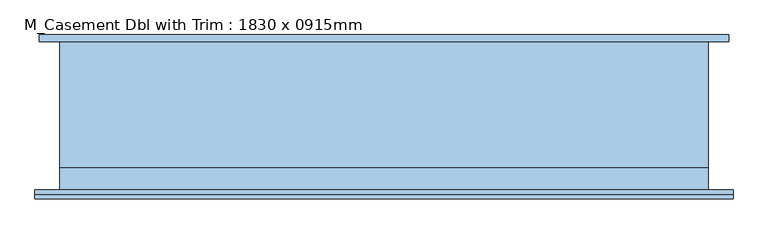
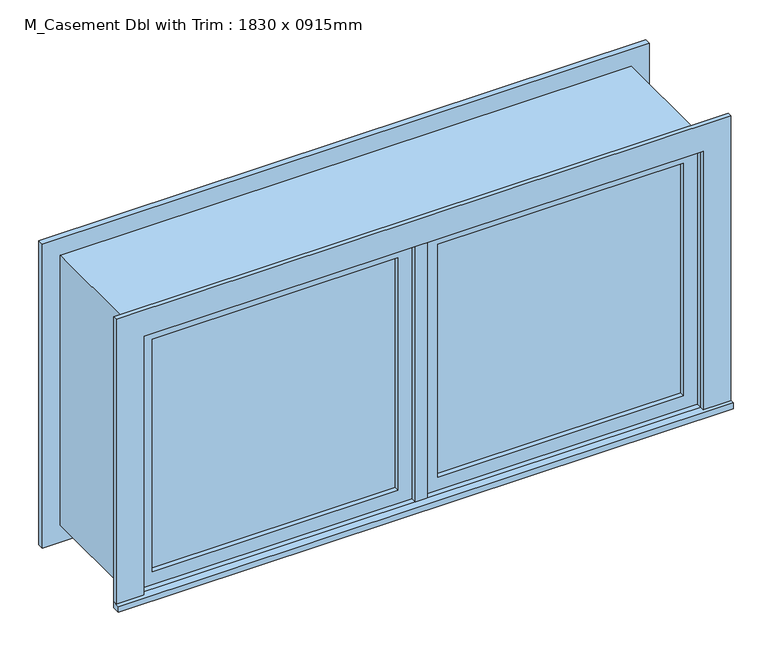
"""IFC4 building model written with IfcOpenShell, lengths in millimetres: window geometry, M_Casement Dbl with Trim : 1830 x 0915mm."""

from ifc_helpers import new_model, si_unit, frame, origin, place, context, project, spatial, polyline, outline, extrude, source, transform, mapped, element, save


def m_casement_dbl_with_trim_1830_x_0915mm_7687e109(model_context):
    return source(origin(), model_context, "Body", "SweptSolid", [
        extrude(outline(polyline([(63.5, -193.675), (63.5, -180.975), (851.5, -180.975), (851.5, -193.675), (63.5, -193.675)])), frame((0.0, 0.0, 1283.5), z_axis=(0.0, 0.0, 1.0), x_axis=(1.0, 0.0, 0.0)), (0.0, 0.0, 1.0), 788.0),
        extrude(outline(polyline([(2115.95, 19.05), (1239.05, 19.05), (1239.05, 895.95), (2115.95, 895.95), (2115.95, 19.05)]), holes=[polyline([(2071.5, 63.5), (2071.5, 851.5), (1283.5, 851.5), (1283.5, 63.5), (2071.5, 63.5)])]), frame((0.0, -209.55, 0.0), z_axis=(0.0, 1.0, 0.0), x_axis=(0.0, 0.0, 1.0)), (0.0, 0.0, 1.0), 44.45),
        extrude(outline(polyline([(-984.95, -254.25), (-984.95, -228.55), (984.95, -228.55), (984.95, -254.25), (-984.95, -254.25)])), frame((0.0, 0.0, 1220.0), z_axis=(0.0, 0.0, 1.0), x_axis=(1.0, 0.0, 0.0)), (0.0, 0.0, 1.0), 19.05),
        extrude(outline(polyline([(2115.95, -895.95), (2115.95, 895.95), (1239.05, 895.95), (1239.05, 984.95), (2204.95, 984.95), (2204.95, -984.95), (1239.05, -984.95), (1239.05, -895.95), (2115.95, -895.95)])), frame((0.0, -241.55, 0.0), z_axis=(0.0, 1.0, 0.0), x_axis=(0.0, 0.0, 1.0)), (0.0, 0.0, 1.0), 13.0),
        extrude(outline(polyline([(2192.25, 972.25), (2192.25, -972.25), (1162.75, -972.25), (1162.75, 972.25), (2192.25, 972.25)]), holes=[polyline([(2103.25, 883.25), (1251.75, 883.25), (1251.75, -883.25), (2103.25, -883.25), (2103.25, 883.25)])]), frame((0.0, 190.45, 0.0), z_axis=(0.0, 1.0, 0.0), x_axis=(0.0, 0.0, 1.0)), (0.0, 0.0, 1.0), 19.0),
        extrude(outline(polyline([(-63.5, -180.975), (-63.5, -193.675), (-851.5, -193.675), (-851.5, -180.975), (-63.5, -180.975)])), frame((0.0, 0.0, 1283.5), z_axis=(0.0, 0.0, 1.0), x_axis=(1.0, 0.0, 0.0)), (0.0, 0.0, 1.0), 788.0),
        extrude(outline(polyline([(2115.95, -895.95), (1239.05, -895.95), (1239.05, -19.05), (2115.95, -19.05), (2115.95, -895.95)]), holes=[polyline([(2071.5, -851.5), (2071.5, -63.5), (1283.5, -63.5), (1283.5, -851.5), (2071.5, -851.5)])]), frame((0.0, -209.55, 0.0), z_axis=(0.0, 1.0, 0.0), x_axis=(0.0, 0.0, 1.0)), (0.0, 0.0, 1.0), 44.45),
        extrude(outline(polyline([(2135.0, -915.0), (1220.0, -915.0), (1220.0, 915.0), (2135.0, 915.0), (2135.0, -915.0)]), holes=[polyline([(2103.25, -883.25), (2103.25, 883.25), (1251.75, 883.25), (1251.75, -883.25), (2103.25, -883.25)])]), frame((0.0, -165.1, 0.0), z_axis=(0.0, 1.0, 0.0), x_axis=(0.0, 0.0, 1.0)), (0.0, 0.0, 1.0), 355.55),
        extrude(outline(polyline([(2135.0, 915.0), (2135.0, -915.0), (1220.0, -915.0), (1220.0, 915.0), (2135.0, 915.0)]), holes=[polyline([(2115.95, 895.95), (1239.05, 895.95), (1239.05, -895.95), (2115.95, -895.95), (2115.95, 895.95)])]), frame((0.0, -228.55, 0.0), z_axis=(0.0, 1.0, 0.0), x_axis=(0.0, 0.0, 1.0)), (0.0, 0.0, 1.0), 63.45),
        extrude(outline(polyline([(19.05, -165.1), (19.05, -228.6), (-19.05, -228.6), (-19.05, -165.1), (19.05, -165.1)])), frame((0.0, 0.0, 1239.05), z_axis=(0.0, 0.0, 1.0), x_axis=(1.0, 0.0, 0.0)), (0.0, 0.0, 1.0), 876.9),
    ])


if __name__ == "__main__":
    model = new_model("IFC4")
    model_context = context("Model", 3, world=origin())
    ifc_project = project(units=[si_unit("LENGTHUNIT", "METRE", prefix="MILLI")], contexts=[model_context])
    site = spatial("IfcSite", under=ifc_project)
    building = spatial("IfcBuilding", under=site)
    placement = place(None, origin())
    m_casement_dbl_with_trim_1830_x_0915mm_shape = m_casement_dbl_with_trim_1830_x_0915mm_7687e109(model_context)
    element("IfcWindow", 1, ObjectType="M_Casement Dbl with Trim : 1830 x 0915mm", at=placement, inside=building, context=model_context, shape_type="MappedRepresentation", body=[
        mapped(m_casement_dbl_with_trim_1830_x_0915mm_shape, transform((0.0, 0.0, 0.0), x_axis=(1.0, 0.0, 0.0), y_axis=(0.0, 1.0, 0.0), z_axis=(0.0, 0.0, 1.0))),
    ])
    save(model, "model.ifc")
